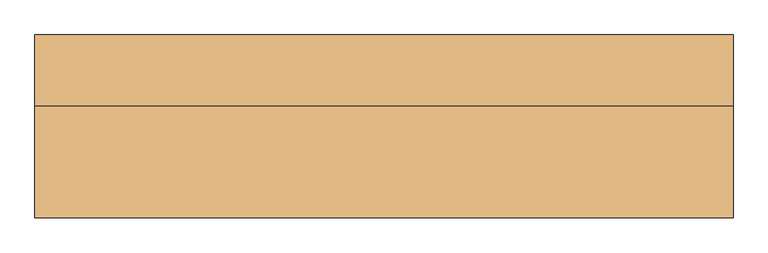
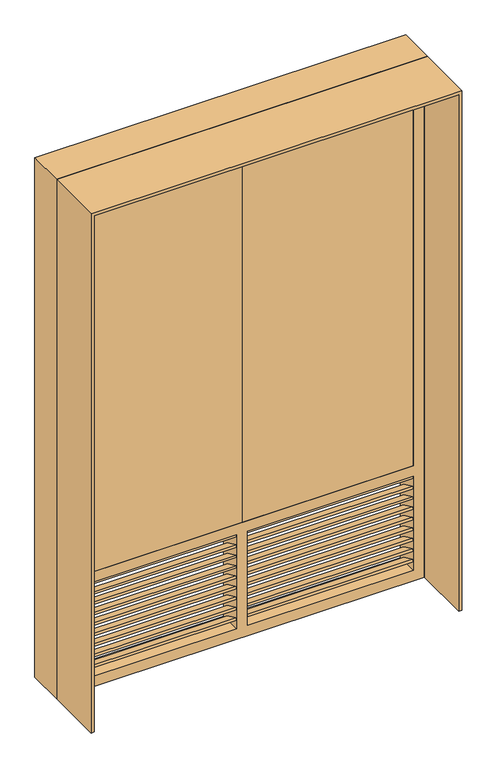
"""IFC4 building model written with IfcOpenShell, lengths in millimetres: door geometry."""

from ifc_helpers import new_model, si_unit, frame, origin, place, context, project, spatial, polyline, outline, extrude, source, transform, mapped, element, save


def door_3af2802b(model_context):
    return source(origin(), model_context, "Body", "SweptSolid", [
        extrude(outline(polyline([(2485.0, -840.0), (0.0, -840.0), (0.0, -825.0), (2470.0, -825.0), (2470.0, 825.0), (0.0, 825.0), (0.0, 840.0), (2485.0, 840.0), (2485.0, -840.0)])), frame((0.0, 125.0, 0.0), z_axis=(0.0, 1.0, 0.0), x_axis=(0.0, 0.0, 1.0)), (0.0, 0.0, 1.0), 170.0),
        extrude(outline(polyline([(2485.0, 840.0), (2485.0, -840.0), (0.0, -840.0), (0.0, -825.0), (2470.0, -825.0), (2470.0, 825.0), (0.0, 825.0), (0.0, 840.0), (2485.0, 840.0)])), frame((0.0, -145.0, 0.0), z_axis=(0.0, 1.0, 0.0), x_axis=(0.0, 0.0, 1.0)), (0.0, 0.0, 1.0), 270.0),
        extrude(outline(polyline([(0.0, -750.0), (0.0, 0.0), (75.0, 0.0), (75.0, -750.0), (0.0, -750.0)])), frame((25.0, 125.0, 90.9369221), z_axis=(0.0, 0.4226182617406997, 0.9063077870366498), x_axis=(0.0, 0.9063077870366498, -0.4226182617406997)), (0.0, 0.0, 1.0), 10.0),
        extrude(outline(polyline([(0.0, -750.0), (0.0, 0.0), (75.0, 0.0), (75.0, -750.0), (0.0, -750.0)])), frame((25.0, 125.0, 140.9369221), z_axis=(0.0, 0.4226182617406997, 0.9063077870366498), x_axis=(0.0, 0.9063077870366498, -0.4226182617406997)), (0.0, 0.0, 1.0), 10.0),
        extrude(outline(polyline([(0.0, -750.0), (0.0, 0.0), (75.0, 0.0), (75.0, -750.0), (0.0, -750.0)])), frame((25.0, 125.0, 190.9369221), z_axis=(0.0, 0.42261826174069955, 0.9063077870366499), x_axis=(0.0, 0.9063077870366499, -0.42261826174069955)), (0.0, 0.0, 1.0), 10.0),
        extrude(outline(polyline([(0.0, -750.0), (0.0, 0.0), (75.0, 0.0), (75.0, -750.0), (0.0, -750.0)])), frame((25.0, 125.0, 240.9369221), z_axis=(0.0, 0.42261826174069955, 0.9063077870366499), x_axis=(0.0, 0.9063077870366499, -0.42261826174069955)), (0.0, 0.0, 1.0), 10.0),
        extrude(outline(polyline([(0.0, -750.0), (0.0, 0.0), (75.0, 0.0), (75.0, -750.0), (0.0, -750.0)])), frame((25.0, 125.0, 290.9369221), z_axis=(0.0, 0.42261826174069955, 0.9063077870366499), x_axis=(0.0, 0.9063077870366499, -0.42261826174069955)), (0.0, 0.0, 1.0), 10.0),
        extrude(outline(polyline([(0.0, -750.0), (0.0, 0.0), (75.0, 0.0), (75.0, -750.0), (0.0, -750.0)])), frame((25.0, 125.0, 340.9369221), z_axis=(0.0, 0.4226182617406999, 0.9063077870366498), x_axis=(0.0, 0.9063077870366498, -0.4226182617406999)), (0.0, 0.0, 1.0), 10.0),
        extrude(outline(polyline([(0.0, -750.0), (0.0, 0.0), (75.0, 0.0), (75.0, -750.0), (0.0, -750.0)])), frame((25.0, 125.0, 390.9369221), z_axis=(0.0, 0.4226182617406999, 0.9063077870366498), x_axis=(0.0, 0.9063077870366498, -0.4226182617406999)), (0.0, 0.0, 1.0), 10.0),
        extrude(outline(polyline([(0.0, -750.0), (0.0, 0.0), (75.0, 0.0), (75.0, -750.0), (0.0, -750.0)])), frame((25.0, 125.0, 440.9369221), z_axis=(0.0, 0.4226182617406999, 0.9063077870366498), x_axis=(0.0, 0.9063077870366498, -0.4226182617406999)), (0.0, 0.0, 1.0), 10.0),
        extrude(outline(polyline([(0.0, -750.0), (0.0, 0.0), (75.0, 0.0), (75.0, -750.0), (0.0, -750.0)])), frame((25.0, 125.0, 490.9369221), z_axis=(0.0, 0.422618261740699, 0.9063077870366502), x_axis=(0.0, 0.9063077870366502, -0.422618261740699)), (0.0, 0.0, 1.0), 10.0),
        extrude(outline(polyline([(0.0, -750.0), (0.0, 0.0), (75.0, 0.0), (75.0, -750.0), (0.0, -750.0)])), frame((-775.0, 125.0, 90.9369221), z_axis=(0.0, 0.4226182617406973, 0.906307787036651), x_axis=(0.0, 0.906307787036651, -0.4226182617406973)), (0.0, 0.0, 1.0), 10.0),
        extrude(outline(polyline([(0.0, -750.0), (0.0, 0.0), (75.0, 0.0), (75.0, -750.0), (0.0, -750.0)])), frame((-775.0, 125.0, 140.9369221), z_axis=(0.0, 0.4226182617406973, 0.906307787036651), x_axis=(0.0, 0.906307787036651, -0.4226182617406973)), (0.0, 0.0, 1.0), 10.0),
        extrude(outline(polyline([(0.0, -750.0), (0.0, 0.0), (75.0, 0.0), (75.0, -750.0), (0.0, -750.0)])), frame((-775.0, 125.0, 190.9369221), z_axis=(0.0, 0.42261826174070094, 0.9063077870366494), x_axis=(0.0, 0.9063077870366494, -0.42261826174070094)), (0.0, 0.0, 1.0), 10.0),
        extrude(outline(polyline([(0.0, -750.0), (0.0, 0.0), (75.0, 0.0), (75.0, -750.0), (0.0, -750.0)])), frame((-775.0, 125.0, 240.9369221), z_axis=(0.0, 0.42261826174070094, 0.9063077870366494), x_axis=(0.0, 0.9063077870366494, -0.42261826174070094)), (0.0, 0.0, 1.0), 10.0),
        extrude(outline(polyline([(0.0, -750.0), (0.0, 0.0), (75.0, 0.0), (75.0, -750.0), (0.0, -750.0)])), frame((-775.0, 125.0, 290.9369221), z_axis=(0.0, 0.42261826174070094, 0.9063077870366494), x_axis=(0.0, 0.9063077870366494, -0.42261826174070094)), (0.0, 0.0, 1.0), 10.0),
        extrude(outline(polyline([(0.0, -750.0), (0.0, 0.0), (75.0, 0.0), (75.0, -750.0), (0.0, -750.0)])), frame((-775.0, 125.0, 340.9369221), z_axis=(0.0, 0.42261826174070094, 0.9063077870366494), x_axis=(0.0, 0.9063077870366494, -0.42261826174070094)), (0.0, 0.0, 1.0), 10.0),
        extrude(outline(polyline([(0.0, -750.0), (0.0, 0.0), (75.0, 0.0), (75.0, -750.0), (0.0, -750.0)])), frame((-775.0, 125.0, 390.9369221), z_axis=(0.0, 0.42261826174070094, 0.9063077870366494), x_axis=(0.0, 0.9063077870366494, -0.42261826174070094)), (0.0, 0.0, 1.0), 10.0),
        extrude(outline(polyline([(0.0, -750.0), (0.0, 0.0), (75.0, 0.0), (75.0, -750.0), (0.0, -750.0)])), frame((-775.0, 125.0, 440.9369221), z_axis=(0.0, 0.42261826174070094, 0.9063077870366494), x_axis=(0.0, 0.9063077870366494, -0.42261826174070094)), (0.0, 0.0, 1.0), 10.0),
        extrude(outline(polyline([(0.0, -750.0), (0.0, 0.0), (75.0, 0.0), (75.0, -750.0), (0.0, -750.0)])), frame((-775.0, 125.0, 490.9369221), z_axis=(0.0, 0.4226182617406973, 0.906307787036651), x_axis=(0.0, 0.906307787036651, -0.4226182617406973)), (0.0, 0.0, 1.0), 10.0),
        extrude(outline(polyline([(0.0, 125.0), (-775.0, 125.0), (-775.0, 175.0), (0.0, 175.0), (0.0, 125.0)])), frame((0.0, 0.0, 550.0), z_axis=(0.0, 0.0, 1.0), x_axis=(1.0, 0.0, 0.0)), (0.0, 0.0, 1.0), 1870.0),
        extrude(outline(polyline([(775.0, 125.0), (0.0, 125.0), (0.0, 175.0), (775.0, 175.0), (775.0, 125.0)])), frame((0.0, 0.0, 550.0), z_axis=(0.0, 0.0, 1.0), x_axis=(1.0, 0.0, 0.0)), (0.0, 0.0, 1.0), 1870.0),
        extrude(outline(polyline([(0.0, 825.0), (2470.0, 825.0), (2470.0, -825.0), (0.0, -825.0), (0.0, 825.0)]), holes=[polyline([(550.0, -775.0), (2420.0, -775.0), (2420.0, 775.0), (550.0, 775.0), (550.0, -775.0)]), polyline([(500.0, -25.0), (50.0, -25.0), (50.0, -775.0), (500.0, -775.0), (500.0, -25.0)]), polyline([(50.0, 775.0), (50.0, 25.0), (500.0, 25.0), (500.0, 775.0), (50.0, 775.0)])]), frame((0.0, 125.0, 0.0), z_axis=(0.0, 1.0, 0.0), x_axis=(0.0, 0.0, 1.0)), (0.0, 0.0, 1.0), 100.0),
    ])


if __name__ == "__main__":
    model = new_model("IFC4")
    model_context = context("Model", 3, world=origin())
    ifc_project = project(units=[si_unit("LENGTHUNIT", "METRE", prefix="MILLI")], contexts=[model_context])
    site = spatial("IfcSite", under=ifc_project)
    building = spatial("IfcBuilding", under=site)
    placement = place(None, origin())
    door_shape = door_3af2802b(model_context)
    element("IfcDoor", 1, at=placement, inside=building, context=model_context, shape_type="MappedRepresentation", body=[
        mapped(door_shape, transform((0.0, 0.0, 0.0), x_axis=(1.0, 0.0, 0.0), y_axis=(0.0, 1.0, 0.0), z_axis=(0.0, 0.0, 1.0))),
    ])
    save(model, "model.ifc")
